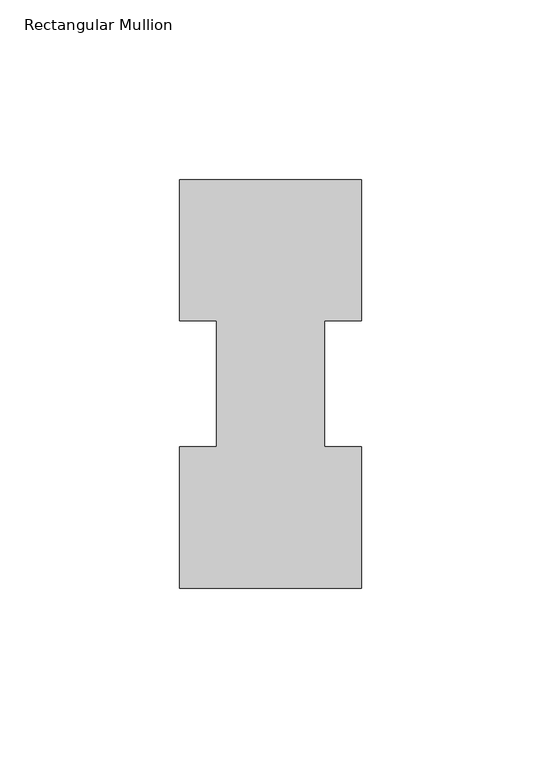
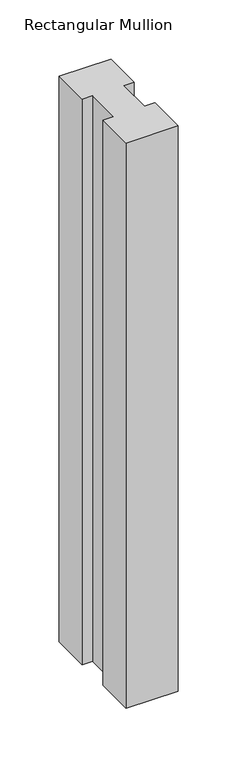
"""IFC4 building model written with IfcOpenShell, lengths in millimetres: member geometry, Rectangular Mullion."""

from ifc_helpers import new_model, si_unit, frame, origin, place, context, project, spatial, polyline, outline, extrude, source, transform, mapped, element, save


def rectangular_mullion_bd8a529a(model_context):
    return source(origin(), model_context, "Body", "SweptSolid", [
        extrude(outline(polyline([(-50.8, 114.017425), (0.0, 114.017425), (0.0, 74.622025), (-10.3124046, 74.622025), (-10.3124046, 39.646225), (0.0, 39.646225), (0.0, 0.225425), (-50.8, 0.225425), (-50.8, 39.646225), (-40.4875954, 39.646225), (-40.4875954, 74.622025), (-50.8, 74.622025), (-50.8, 114.017425)])), frame((0.0, 0.0, -584.1992063), z_axis=(0.0, 0.0, 1.0), x_axis=(1.0, 0.0, 0.0)), (0.0, 0.0, 1.0), 584.1992063),
    ])


if __name__ == "__main__":
    model = new_model("IFC4")
    model_context = context("Model", 3, world=origin())
    ifc_project = project(units=[si_unit("LENGTHUNIT", "METRE", prefix="MILLI")], contexts=[model_context])
    site = spatial("IfcSite", under=ifc_project)
    building = spatial("IfcBuilding", under=site)
    placement = place(None, origin())
    rectangular_mullion_shape = rectangular_mullion_bd8a529a(model_context)
    element("IfcMember", 1, ObjectType="Rectangular Mullion", at=placement, inside=building, context=model_context, shape_type="MappedRepresentation", body=[
        mapped(rectangular_mullion_shape, transform((0.0, 0.0, 0.0), x_axis=(1.0, 0.0, 0.0), y_axis=(0.0, 1.0, 0.0), z_axis=(0.0, 0.0, 1.0))),
    ])
    save(model, "model.ifc")
